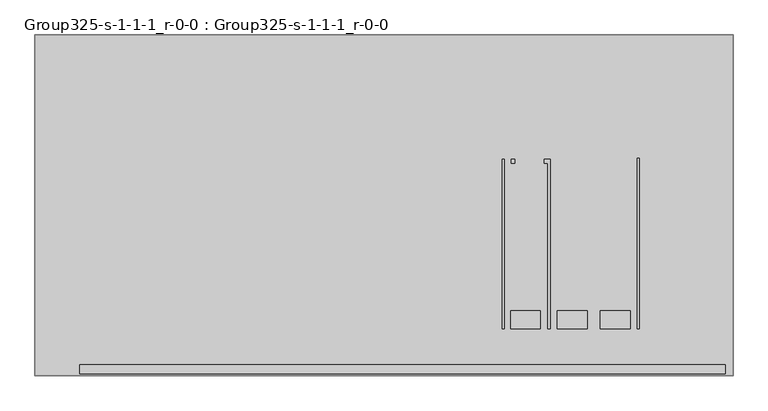
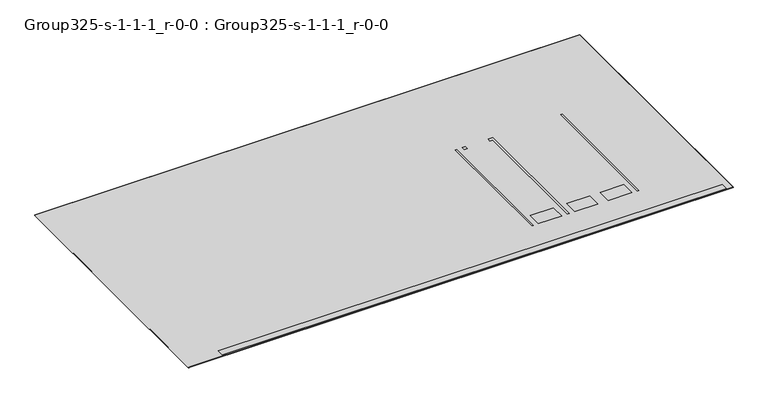
"""IFC4 building model written with IfcOpenShell, lengths in millimetres: geographic element geometry, Group325-s-1-1-1_r-0-0 : Group325-s-1-1-1_r-0-0."""

from ifc_helpers import new_model, si_unit, origin, place, context, project, spatial, triangles, source, transform, mapped, element, save


def group325_s_1_1_1_r_0_0_group325_s_1_1_1_r_0_0_11993cc4(model_context):
    return source(origin(), model_context, "Body", "Tessellation", [
        triangles([(115655.4335449, -21152.8530396, 101.600003), (7489.5469162, -19661.3231506, 101.600003), (7489.5469162, -21152.8530396, 101.600003), (115655.4335449, -19661.3231506, 101.600003), (84660.5719482, -13565.3219879, 101.600003), (79682.1688477, -10568.1223755, 101.600003), (79682.1688477, -13565.3219879, 101.600003), (84660.5719482, -10568.1223755, 101.600003), (92482.7549561, -13565.3219879, 101.600003), (87504.3611572, -10568.1223755, 101.600003), (87504.3611572, -13565.3219879, 101.600003), (92482.7549561, -10568.1223755, 101.600003), (94717.9580566, -13565.3219879, 101.600003), (99696.3611572, -10568.1223755, 101.600003), (94717.9580566, -10568.1223755, 101.600003), (99696.3611572, -13565.3219879, 101.600003), (101220.3611572, -13565.3219879, 101.600003), (100915.5611572, 14934.4930664, 101.600003), (100915.5611572, -13565.3219879, 101.600003), (101220.3611572, 14934.4930664, 101.600003), (78564.5719482, -13565.3219879, 101.600003), (78259.7719482, 14827.8135315, 101.600003), (78259.7719482, -13565.3219879, 101.600003), (78564.5719482, 14827.8135315, 101.600003), (80393.3719482, 14120.6776245, 101.600003), (79783.7719482, 14827.8135315, 101.600003), (79783.7719482, 14120.6776245, 101.600003), (80393.3719482, 14827.8135315, 101.600003), (86285.1611572, -13565.3219879, 101.600003), (85879.7719482, 14120.6776245, 101.600003), (85879.7719482, -13565.3219879, 101.600003), (85270.1719482, 14827.8135315, 101.600003), (85270.1719482, 14120.6776245, 101.600003), (86285.1611572, 14827.8135315, 101.600003)], [[1, 2, 3], [2, 1, 4], [5, 6, 7], [6, 5, 8], [9, 10, 11], [10, 9, 12], [13, 14, 15], [14, 13, 16], [17, 18, 19], [18, 17, 20], [21, 22, 23], [22, 21, 24], [25, 26, 27], [26, 25, 28], [29, 30, 31], [30, 32, 33], [32, 30, 34], [34, 30, 29]], closed=False),
        triangles([(0.0, 35620.3257751, 101.600003), (116927.3093994, 35620.3257751, 0.0), (0.0, 35620.3257751, 0.0), (116927.3093994, 35620.3257751, 101.600003), (116927.3093994, -21457.6530396, 101.600003), (0.0, -21457.6530396, 0.0), (116927.3093994, -21457.6530396, 0.0), (0.0, -21457.6530396, 101.600003), (115655.4335449, -19661.3231506, 101.600003), (78259.7719482, -13565.3219879, 101.600003), (7489.5469162, -19661.3231506, 101.600003), (78564.5719482, -13565.3219879, 101.600003), (79682.1688477, -13565.3219879, 101.600003), (78564.5719482, 14827.8135315, 101.600003), (84660.5719482, -13565.3219879, 101.600003), (85879.7719482, -13565.3219879, 101.600003), (84660.5719482, -10568.1223755, 101.600003), (85270.1719482, 14120.6776245, 101.600003), (86285.1611572, -13565.3219879, 101.600003), (87504.3611572, -13565.3219879, 101.600003), (86285.1611572, 14827.8135315, 101.600003), (92482.7549561, -13565.3219879, 101.600003), (94717.9580566, -13565.3219879, 101.600003), (92482.7549561, -10568.1223755, 101.600003), (94717.9580566, -10568.1223755, 101.600003), (99696.3611572, -13565.3219879, 101.600003), (100915.5611572, -13565.3219879, 101.600003), (101220.3611572, -13565.3219879, 101.600003), (101220.3611572, 14934.4930664, 101.600003), (7489.5469162, -21152.8530396, 101.600003), (115655.4335449, -21152.8530396, 101.600003), (78259.7719482, 14827.8135315, 101.600003), (79783.7719482, 14827.8135315, 101.600003), (79682.1688477, -10568.1223755, 101.600003), (79783.7719482, 14120.6776245, 101.600003), (80393.3719482, 14827.8135315, 101.600003), (85270.1719482, 14827.8135315, 101.600003), (100915.5611572, 14934.4930664, 101.600003), (87504.3611572, -10568.1223755, 101.600003), (99696.3611572, -10568.1223755, 101.600003), (85879.7719482, 14120.6776245, 101.600003), (80393.3719482, 14120.6776245, 101.600003)], [[1, 2, 3], [2, 1, 4], [5, 6, 7], [6, 5, 8], [1, 6, 8], [6, 1, 3], [2, 5, 7], [5, 2, 4], [9, 10, 11], [10, 9, 12], [12, 9, 13], [12, 13, 14], [13, 9, 15], [15, 9, 16], [15, 16, 17], [17, 16, 18], [16, 9, 19], [19, 9, 20], [19, 20, 21], [20, 9, 22], [22, 9, 23], [22, 23, 24], [24, 23, 25], [23, 9, 26], [26, 9, 27], [27, 9, 28], [28, 9, 29], [8, 30, 1], [30, 8, 5], [30, 5, 31], [31, 5, 9], [1, 11, 4], [11, 1, 30], [4, 11, 32], [32, 11, 10], [4, 32, 14], [4, 14, 33], [33, 14, 34], [34, 14, 13], [33, 34, 35], [4, 33, 36], [4, 36, 37], [37, 36, 17], [37, 17, 18], [4, 37, 21], [4, 21, 38], [38, 21, 39], [39, 21, 20], [38, 39, 24], [38, 24, 25], [38, 25, 40], [38, 40, 26], [38, 26, 27], [4, 38, 29], [4, 29, 9], [4, 9, 5], [41, 18, 16], [17, 35, 34], [35, 17, 42], [42, 17, 36], [2, 6, 3], [6, 2, 7]], closed=False),
    ])


if __name__ == "__main__":
    model = new_model("IFC4")
    model_context = context("Model", 3, world=origin())
    ifc_project = project(units=[si_unit("LENGTHUNIT", "METRE", prefix="MILLI")], contexts=[model_context])
    site = spatial("IfcSite", under=ifc_project)
    building = spatial("IfcBuilding", under=site)
    placement = place(None, origin())
    group325_s_1_1_1_r_0_0_group325_s_1_1_1_r_0_0_shape = group325_s_1_1_1_r_0_0_group325_s_1_1_1_r_0_0_11993cc4(model_context)
    element("IfcGeographicElement", 1, ObjectType="Group325-s-1-1-1_r-0-0 : Group325-s-1-1-1_r-0-0", at=placement, inside=building, context=model_context, shape_type="MappedRepresentation", body=[
        mapped(group325_s_1_1_1_r_0_0_group325_s_1_1_1_r_0_0_shape, transform((0.0, 0.0, 0.0), x_axis=(1.0, 0.0, 0.0), y_axis=(0.0, 1.0, 0.0), z_axis=(0.0, 0.0, 1.0))),
    ])
    save(model, "model.ifc")
